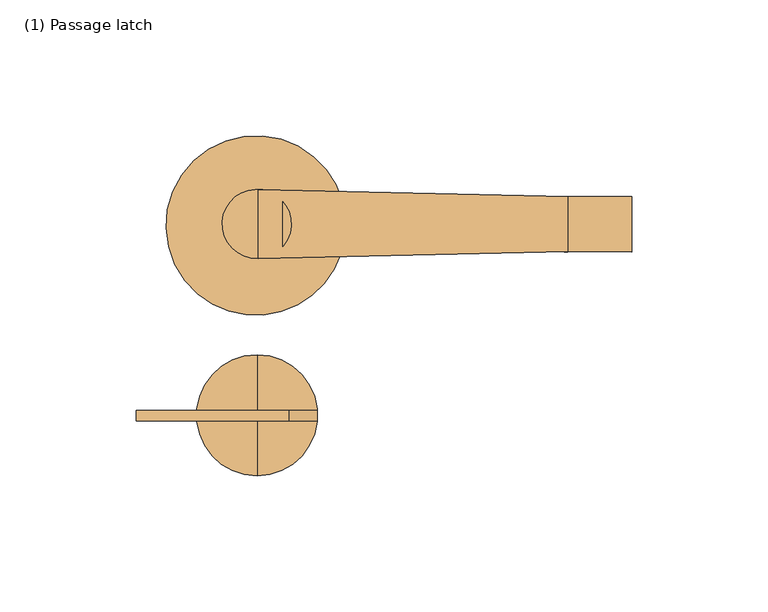
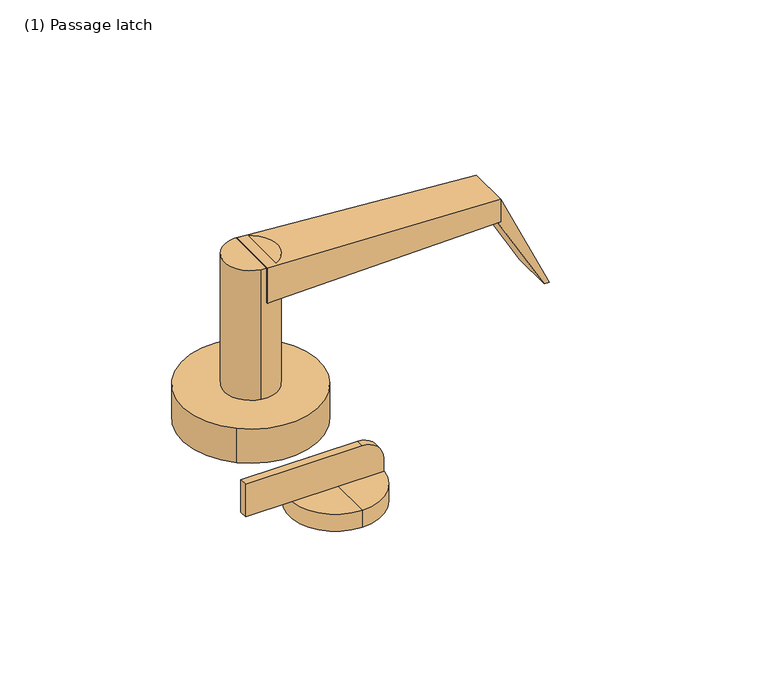
"""IFC4 building model written with IfcOpenShell, lengths in millimetres: door geometry, (1) Passage latch."""

from ifc_helpers import new_model, si_unit, point, frame, frame_2d, origin, origin_with_axes, place, context, project, spatial, polyline, circle_curve, trimmed, segment, composite_curve, outline, extrude, source, transform, mapped, element, save
from ifc_brep_helpers import plane_surface, cylinder_surface, spline_surface, advanced_brep


def door_1_passage_latch_3c9db224(model_context):
    return source(origin(), model_context, "Body", "SolidModel", [
        advanced_brep(
        [(113.0826159, 9.8661661, 77.089), (113.0826159, -10.4783486, 77.089), (113.0826159, -10.4783486, 65.659), (113.0826159, 9.8661661, 65.659), (-0.79375, 12.3783123, 83.439), (-0.79375, 12.378509, 65.659), (-0.79375, -13.0089229, 65.659), (-0.79375, -13.0118705, 83.439)],
        [
            (0, 1),
            (1, 2),
            (2, 3),
            (3, 0),
            (4, 5),
            (5, 6),
            (6, 7),
            (7, 4),
            (4, 0),
            (3, 5),
            (2, 6),
            (1, 7),
        ],
        [
            plane_surface(frame((113.0826159, -0.3060912, 71.374), z_axis=(1.0, 0.0, 0.0), x_axis=(0.0, 1.0, 0.0))),
            plane_surface(frame((-0.79375, -0.315993, 74.549), z_axis=(-1.0000000000000002, 0.0, 0.0), x_axis=(0.0, 1.1064247386625775e-05, -0.9999999999387913))),
            spline_surface(1, 1, [[(-0.79375, 12.3783123, 83.439), (-0.79375, 12.378509, 65.659)], [(113.0826159, 9.8661661, 77.089), (113.0826159, 9.8661661, 65.659)]], [2, 2], [2, 2], [0.0, 1.0], [0.0, 1.0]),
            plane_surface(frame((-0.79375, -0.315207, 65.659), z_axis=(0.0, 0.0, -1.0), x_axis=(0.0, -1.0, 0.0))),
            spline_surface(1, 1, [[(-0.79375, -13.0089229, 65.659), (-0.79375, -13.0118705, 83.439)], [(113.0826159, -10.4783486, 65.659), (113.0826159, -10.4783486, 77.089)]], [2, 2], [2, 2], [0.0, 1.0], [0.0, 1.0]),
            plane_surface(frame((-0.79375, -0.3167791, 83.439), z_axis=(0.05567573642750613, 0.0, 0.9984489032360419), x_axis=(0.0, 1.0, 0.0))),
        ],
        [
            (0, [[1, 2, 3, 4]]),
            (1, [[5, 6, 7, 8]]),
            (2, [[9, -4, 10, -5]]),
            (3, [[-10, -3, 11, -6]]),
            (4, [[-11, -2, 12, -7]]),
            (5, [[-12, -1, -9, -8]]),
        ],
    ),
        extrude(outline(composite_curve([segment(trimmed(circle_curve(frame_2d((-1.3064074, -0.1984375)), 12.7), [point((-3.427265, -12.7200973))], [point((0.8144502, 12.3232223))], False, "CARTESIAN"), True, "CONTINUOUS"), segment(trimmed(circle_curve(frame_2d((-1.3064074, -0.1984375)), 12.7), [point((0.8144502, 12.3232223))], [point((-3.427265, -12.7200973))], False, "CARTESIAN"), True, "CONTINUOUS")], self_intersect=False)), frame((0.0, 0.0, 17.399), z_axis=(0.0, 0.0, 1.0), x_axis=(1.0, 0.0, 0.0)), (0.0, 0.0, 1.0), 66.04),
        extrude(outline(composite_curve([segment(trimmed(circle_curve(frame_2d((-1.6178614, -0.7745191)), 33.02), [point((-22.9508261, -25.9781898))], [point((19.7151032, 24.4291516))], False, "CARTESIAN"), True, "CONTINUOUS"), segment(trimmed(circle_curve(frame_2d((-1.6178614, -0.7745191)), 33.02), [point((19.7151032, 24.4291516))], [point((-22.9508261, -25.9781898))], False, "CARTESIAN"), True, "CONTINUOUS")], self_intersect=False)), origin_with_axes(), (0.0, 0.0, 1.0), 17.399),
        extrude(outline(polyline([(77.089, 113.0826159), (65.659, 113.0826159), (65.659, 111.7545147), (26.5862634, 134.0924288), (26.5862634, 136.6324288), (77.089, 113.0826159)])), frame((0.0, -10.4783486, 0.0), z_axis=(0.0, 1.0, 0.0), x_axis=(0.0, 0.0, 1.0)), (0.0, 0.0, 1.0), 20.32),
        extrude(outline(composite_curve([segment(polyline([(25.146, 10.6467926), (25.146, -45.6833325), (8.636, -45.6833325), (8.636, 20.8690339), (15.3233, 20.8690339)]), True, "CONTINUOUS"), segment(trimmed(circle_curve(frame_2d((14.9632029, 10.6925033)), 10.1828997), [point((15.3233, 20.8690339))], [point((25.146, 10.6467926))], False, "CARTESIAN"), True, "CONTINUOUS")], self_intersect=False)), frame((0.0, -72.6889197, 0.0), z_axis=(0.0, 1.0, 0.0), x_axis=(0.0, 0.0, 1.0)), (0.0, 0.0, 1.0), 3.81),
        advanced_brep(
        [(-1.190625, -92.8715961, 8.636), (-1.190625, -70.6303498, 8.636), (-1.190625, -48.3891034, 8.636), (-1.190625, -92.8715961, 0.0), (-1.190625, -48.3891034, 0.0), (-1.190625, -70.6303498, 0.0)],
        [
            (0, 1),
            (1, 2),
            (2, 0, circle_curve(frame((-1.190625, -70.6303498, 8.636), z_axis=(0.0, 0.0, 1.0), x_axis=(0.0, 1.0, 0.0)), 22.2412463)),
            (0, 2, circle_curve(frame((-1.190625, -70.6303498, 8.636), z_axis=(0.0, 0.0, 1.0), x_axis=(0.0, 1.0, 0.0)), 22.2412463)),
            (3, 0),
            (2, 4),
            (4, 3, circle_curve(frame((-1.190625, -70.6303498, 0.0), z_axis=(0.0, 0.0, 1.0), x_axis=(0.0, 1.0, 0.0)), 22.2412463)),
            (3, 4, circle_curve(frame((-1.190625, -70.6303498, 0.0), z_axis=(0.0, 0.0, 1.0), x_axis=(0.0, 1.0, 0.0)), 22.2412463)),
            (5, 3),
            (4, 5),
        ],
        [
            plane_surface(frame((-1.190625, -70.6303498, 8.636), z_axis=(0.0, 0.0, 1.0), x_axis=(0.0, 1.0, 0.0))),
            cylinder_surface(frame((-1.190625, -70.6303498, 76.2), z_axis=(0.0, 0.0, -1.0), x_axis=(0.0, 1.0, 0.0)), 22.2412463),
            plane_surface(frame((-1.190625, -70.6303498, 0.0), z_axis=(0.0, 0.0, -1.0), x_axis=(0.0, 1.0, 0.0))),
        ],
        [
            (0, [[1, 2, 3]]),
            (0, [[-2, -1, 4]]),
            (1, [[5, -3, 6, 7]]),
            (1, [[-6, -4, -5, 8]]),
            (2, [[9, -7, 10]]),
            (2, [[-10, -8, -9]]),
        ],
    ),
    ])


if __name__ == "__main__":
    model = new_model("IFC4")
    model_context = context("Model", 3, world=origin())
    ifc_project = project(units=[si_unit("LENGTHUNIT", "METRE", prefix="MILLI")], contexts=[model_context])
    site = spatial("IfcSite", under=ifc_project)
    building = spatial("IfcBuilding", under=site)
    placement = place(None, origin())
    door_1_passage_latch_shape = door_1_passage_latch_3c9db224(model_context)
    element("IfcDoor", 1, ObjectType="(1) Passage latch", at=placement, inside=building, context=model_context, shape_type="MappedRepresentation", body=[
        mapped(door_1_passage_latch_shape, transform((0.0, 0.0, 0.0), x_axis=(1.0, 0.0, 0.0), y_axis=(0.0, 1.0, 0.0), z_axis=(0.0, 0.0, 1.0))),
    ])
    save(model, "model.ifc")
